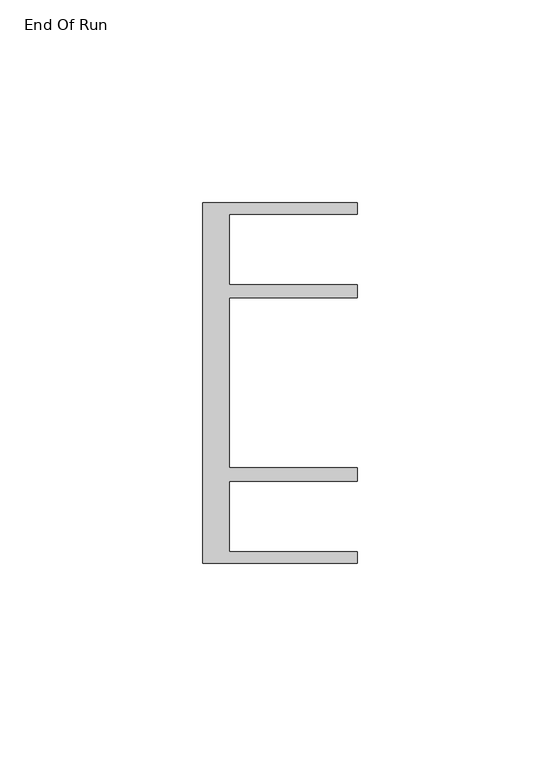
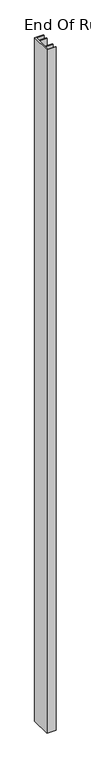
"""IFC4 building model written with IfcOpenShell, lengths in millimetres: furniture geometry, End Of Run."""

import ifcopenshell
import ifcopenshell.guid

model = None  # the IFC model being written
_history = None  # IfcOwnerHistory: only IFC2X3 demands one
_inside = {}  # id of a spatial element -> (the spatial element, [elements in it])
_under = {}  # id of a project, library or spatial element -> (it, [spatial elements below it])
_declared = {}  # id of a project -> (the project, [libraries it declares])
_typed = {}  # id of a type object -> (the type object, [elements of that type])
_made_of = {}  # id of a material, layer set ... -> (it, [elements and type objects made of it])


def new_model(schema):
    """Start an empty IFC model of exactly this schema.

    Asked for "IFC4X3", IfcOpenShell would pick the latest addendum, in which some entities
    have other attributes; the version numbers below select the first issue.
    IFC2X3 requires an IfcOwnerHistory on every rooted entity: one is made here for all.
    """
    global model, _history
    if schema == "IFC4X3":
        model = ifcopenshell.file(schema_version=(4, 3, 0, 0))
    else:
        model = ifcopenshell.file(schema=schema)
    _inside.clear()
    _under.clear()
    _declared.clear()
    _typed.clear()
    _made_of.clear()
    _history = None
    if model.schema == "IFC2X3":
        org = make("IfcOrganization", Name="unknown")
        user = make(
            "IfcPersonAndOrganization",
            ThePerson=make("IfcPerson", FamilyName="unknown"),
            TheOrganization=org,
        )
        app = make(
            "IfcApplication",
            ApplicationDeveloper=org,
            Version="unknown",
            ApplicationFullName="unknown",
            ApplicationIdentifier="unknown",
        )
        _history = make(
            "IfcOwnerHistory",
            OwningUser=user,
            OwningApplication=app,
            ChangeAction="ADDED",
            CreationDate=0,
        )
    return model


def make(cls, **values):
    """One entity of the class cls with the attributes given. An attribute that is None is left unset."""
    return model.create_entity(
        cls, **{name: value for name, value in values.items() if value is not None}
    )


def rooted(cls, **values):
    """An entity with a GlobalId (a new one), such as an element, a storey or a relation."""
    return make(cls, GlobalId=ifcopenshell.guid.new(), OwnerHistory=_history, **values)


def si_unit(unit_type, name, prefix=None):
    """IfcSIUnit, for example si_unit("LENGTHUNIT", "METRE", prefix="MILLI")."""
    return make("IfcSIUnit", UnitType=unit_type, Prefix=prefix, Name=name)


def assignment(units):
    """IfcUnitAssignment: the units of a project."""
    return None if units is None else make("IfcUnitAssignment", Units=units)


def point(xyz):
    """IfcCartesianPoint."""
    return None if xyz is None else make("IfcCartesianPoint", Coordinates=xyz)


def direction(xyz):
    """IfcDirection."""
    return None if xyz is None else make("IfcDirection", DirectionRatios=xyz)


def frame(location, z_axis=None, x_axis=None):
    """IfcAxis2Placement3D, a coordinate frame: its origin and axes. An axis left out is left unset."""
    return make(
        "IfcAxis2Placement3D",
        Location=point(location),
        Axis=direction(z_axis),
        RefDirection=direction(x_axis),
    )


def origin():
    """The frame at (0, 0, 0) with its axes left unset."""
    return frame((0.0, 0.0, 0.0))


def origin_with_axes():
    """The frame at (0, 0, 0) with the z axis (0, 0, 1) and the x axis (1, 0, 0) written out."""
    return frame((0.0, 0.0, 0.0), z_axis=(0.0, 0.0, 1.0), x_axis=(1.0, 0.0, 0.0))


def place(relative_to, where):
    """IfcLocalPlacement: puts the frame where relative to a parent placement (None: the world)."""
    return make(
        "IfcLocalPlacement", PlacementRelTo=relative_to, RelativePlacement=where
    )


def context(
    kind, dimensions, precision=None, world=None, true_north=None, identifier=None
):
    """IfcGeometricRepresentationContext, for example the 3D "Model" context."""
    return make(
        "IfcGeometricRepresentationContext",
        ContextIdentifier=identifier,
        ContextType=kind,
        CoordinateSpaceDimension=dimensions,
        Precision=precision,
        WorldCoordinateSystem=world,
        TrueNorth=true_north,
    )


def project(units=None, contexts=None):
    """IfcProject with its units and contexts."""
    return rooted(
        "IfcProject",
        Name="project",
        RepresentationContexts=contexts,
        UnitsInContext=assignment(units),
    )


def spatial(cls, under=None, at=None, **own):
    """A site, building, storey or space (cls), placed at a placement, below another one or the project."""
    s = rooted(cls, ObjectPlacement=at, **own)
    if under is not None:
        _under.setdefault(under.id(), (under, []))[1].append(s)
    return s


def polyline(points):
    """IfcPolyline through the points."""
    return make("IfcPolyline", Points=[point(p) for p in points])


def outline(outer, holes=None, kind="AREA"):
    """IfcArbitraryClosedProfileDef: a profile drawn as a closed curve; with holes, ...WithVoids."""
    if holes is None:
        return make("IfcArbitraryClosedProfileDef", ProfileType=kind, OuterCurve=outer)
    return make(
        "IfcArbitraryProfileDefWithVoids",
        ProfileType=kind,
        OuterCurve=outer,
        InnerCurves=holes,
    )


def extrude(swept, where, along, depth):
    """IfcExtrudedAreaSolid: the profile swept, set in the frame where, extruded along a direction by depth."""
    return make(
        "IfcExtrudedAreaSolid",
        SweptArea=swept,
        Position=where,
        ExtrudedDirection=direction(along),
        Depth=depth,
    )


def shape(context_of_items, identifier, shape_type, items):
    """IfcShapeRepresentation: the items that make up one representation, for example the "Body"."""
    return make(
        "IfcShapeRepresentation",
        ContextOfItems=context_of_items,
        RepresentationIdentifier=identifier,
        RepresentationType=shape_type,
        Items=items,
    )


def source(mapping_origin, context_of_items, identifier, shape_type, items):
    """IfcRepresentationMap: a shape defined once, which mapped items show again and again."""
    return make(
        "IfcRepresentationMap",
        MappingOrigin=mapping_origin,
        MappedRepresentation=shape(context_of_items, identifier, shape_type, items),
    )


def transform(
    local_origin,
    x_axis=None,
    y_axis=None,
    z_axis=None,
    scale=None,
    scale2=None,
    scale3=None,
    uniform=True,
):
    """IfcCartesianTransformationOperator3D, or its non-uniform kind. x_axis, y_axis, z_axis: its Axis1, 2, 3."""
    if uniform:
        return make(
            "IfcCartesianTransformationOperator3D",
            Axis1=direction(x_axis),
            Axis2=direction(y_axis),
            LocalOrigin=point(local_origin),
            Scale=scale,
            Axis3=direction(z_axis),
        )
    return make(
        "IfcCartesianTransformationOperator3DnonUniform",
        Axis1=direction(x_axis),
        Axis2=direction(y_axis),
        LocalOrigin=point(local_origin),
        Scale=scale,
        Axis3=direction(z_axis),
        Scale2=scale2,
        Scale3=scale3,
    )


def mapped(mapping_source, mapping_target):
    """IfcMappedItem: shows the shape of a source again, moved by a transform."""
    return make(
        "IfcMappedItem", MappingSource=mapping_source, MappingTarget=mapping_target
    )


def made_of(thing, what):
    """Note that an element or type object is made of a material, layer set ...; save() writes the relation."""
    if what is not None:
        _made_of.setdefault(what.id(), (what, []))[1].append(thing)
    return thing


def element(
    cls,
    number,
    at=None,
    inside=None,
    cuts=None,
    type_object=None,
    material=None,
    context=None,
    identifier="Body",
    shape_type=None,
    held_by="IfcProductDefinitionShape",
    body=None,
    shapes=None,
    **own,
):
    """One element of the class cls, such as IfcWall. Its Tag is "e" and its number.

    at: its placement. inside: the storey or other place that contains it. cuts: it is an
    opening in that element (IfcRelVoidsElement). A single representation is given by context,
    identifier, shape_type and body (its items); several are given by shapes. held_by: the class
    of the entity that holds the representations. save() writes the other relations.
    """
    e = rooted(cls, Tag="e%d" % number, ObjectPlacement=at, **own)
    if body is not None:
        shapes = [shape(context, identifier, shape_type, body)]
    if shapes is not None:
        e.Representation = make(held_by, Representations=shapes)
    if inside is not None:
        _inside.setdefault(inside.id(), (inside, []))[1].append(e)
    if cuts is not None:
        rooted(
            "IfcRelVoidsElement", RelatingBuildingElement=cuts, RelatedOpeningElement=e
        )
    if type_object is not None:
        _typed.setdefault(type_object.id(), (type_object, []))[1].append(e)
    return made_of(e, material)


def aggregate(whole, parts):
    """IfcRelAggregates: a whole, such as a stair, and the parts it consists of."""
    return rooted("IfcRelAggregates", RelatingObject=whole, RelatedObjects=parts)


def save(model, path):
    """Write the relations noted so far, then the file.

    IfcRelAggregates (storeys below a building ...), IfcRelContainedInSpatialStructure (elements
    in a storey), IfcRelDefinesByType, IfcRelAssociatesMaterial and IfcRelDeclares: one each for
    every whole, place, type object, material and project.
    """
    for whole, parts in _under.values():
        aggregate(whole, parts)
    for where, things in _inside.values():
        rooted(
            "IfcRelContainedInSpatialStructure",
            RelatedElements=things,
            RelatingStructure=where,
        )
    for kind, things in _typed.values():
        rooted("IfcRelDefinesByType", RelatedObjects=things, RelatingType=kind)
    for what, things in _made_of.values():
        rooted("IfcRelAssociatesMaterial", RelatedObjects=things, RelatingMaterial=what)
    for by, libraries in _declared.values():
        rooted("IfcRelDeclares", RelatingContext=by, RelatedDefinitions=libraries)
    model.write(path)


def end_of_run_bd74879a(model_context):
    return source(origin(), model_context, "Body", "SweptSolid", [
        extrude(outline(polyline([(29.9771531, 59.951805), (68.0771531, 59.951805), (68.0771531, 57.1518064), (36.5771534, 57.1518064), (36.5771534, 39.7518058), (68.0771531, 39.7518058), (68.0771531, 36.4518057), (36.5771534, 36.4518057), (36.5771534, -5.4481956), (68.0771531, -5.4481956), (68.0771531, -8.7481957), (36.5771534, -8.7481957), (36.5771534, -26.1481963), (68.0771531, -26.1481963), (68.0771531, -28.948195), (29.9771531, -28.948195), (29.9771531, 59.951805)])), origin_with_axes(), (0.0, 0.0, 1.0), 3048.0),
    ])


if __name__ == "__main__":
    model = new_model("IFC4")
    model_context = context("Model", 3, world=origin())
    ifc_project = project(units=[si_unit("LENGTHUNIT", "METRE", prefix="MILLI")], contexts=[model_context])
    site = spatial("IfcSite", under=ifc_project)
    building = spatial("IfcBuilding", under=site)
    placement = place(None, origin())
    end_of_run_shape = end_of_run_bd74879a(model_context)
    element("IfcFurniture", 1, ObjectType="End Of Run", at=placement, inside=building, context=model_context, shape_type="MappedRepresentation", body=[
        mapped(end_of_run_shape, transform((0.0, 0.0, 0.0), x_axis=(1.0, 0.0, 0.0), y_axis=(0.0, 1.0, 0.0), z_axis=(0.0, 0.0, 1.0))),
    ])
    save(model, "model.ifc")
